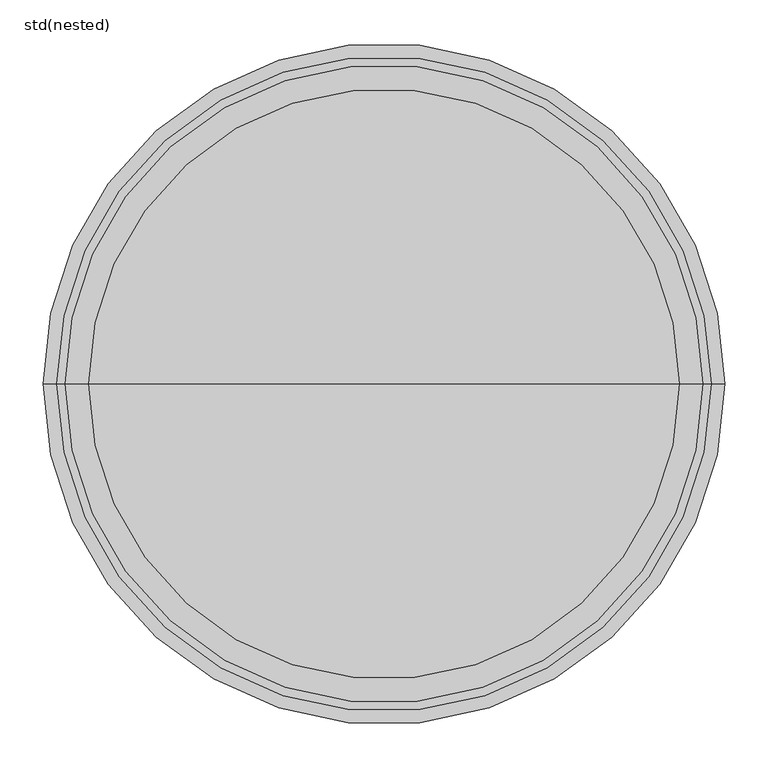
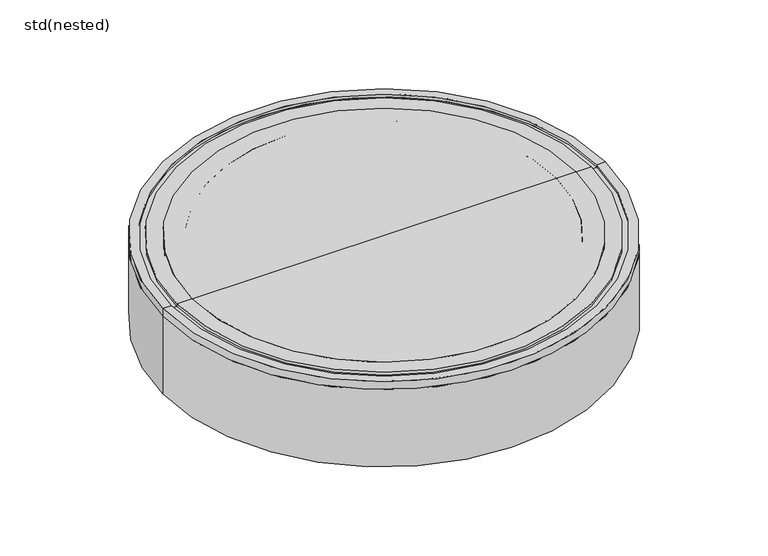
"""IFC4 building model written with IfcOpenShell, lengths in millimetres: sanitary terminal geometry, std(nested)."""

from ifc_helpers import new_model, si_unit, frame, origin, place, context, project, spatial, polyline, circle_curve, source, transform, mapped, element, save
from ifc_brep_helpers import plane_surface, cylinder_surface, revolved_surface, advanced_brep


def std_nested_ca735988(model_context):
    return source(origin(), model_context, "Body", "AdvancedBrep", [
        advanced_brep(
        [(302.5, 0.0, -50.0), (-302.5, 0.0, -50.0), (-340.0, 0.0, -50.0), (340.0, 0.0, -50.0), (302.5, 0.0, -94.7677946), (-302.5, 0.0, -94.7677946), (0.0, 0.0, -94.7677946), (340.0, 0.0, 0.0), (-340.0, 0.0, 0.0), (0.0, 0.0, 0.0)],
        [
            (0, 1, circle_curve(frame((0.0, 0.0, -50.0), z_axis=(0.0, 0.0, 1.0), x_axis=(-1.0, 0.0, 0.0)), 302.5)),
            (1, 2),
            (2, 3, circle_curve(frame((0.0, 0.0, -50.0), z_axis=(0.0, 0.0, -1.0), x_axis=(-1.0, 0.0, 0.0)), 340.0)),
            (3, 0),
            (1, 0, circle_curve(frame((0.0, 0.0, -50.0), z_axis=(0.0, 0.0, 1.0), x_axis=(-1.0, 0.0, 0.0)), 302.5)),
            (3, 2, circle_curve(frame((0.0, 0.0, -50.0), z_axis=(0.0, 0.0, -1.0), x_axis=(-1.0, 0.0, 0.0)), 340.0)),
            (4, 5, circle_curve(frame((0.0, 0.0, -94.7677946), z_axis=(0.0, 0.0, 1.0), x_axis=(-1.0, 0.0, 0.0)), 302.5)),
            (5, 1),
            (0, 4),
            (5, 4, circle_curve(frame((0.0, 0.0, -94.7677946), z_axis=(0.0, 0.0, 1.0), x_axis=(-1.0, 0.0, 0.0)), 302.5)),
            (6, 5),
            (4, 6),
            (7, 8, circle_curve(frame((0.0, 0.0, 0.0), z_axis=(0.0, 0.0, 1.0), x_axis=(-1.0, 0.0, 0.0)), 340.0)),
            (8, 9),
            (9, 7),
            (8, 7, circle_curve(frame((0.0, 0.0, 0.0), z_axis=(0.0, 0.0, 1.0), x_axis=(-1.0, 0.0, 0.0)), 340.0)),
            (2, 8),
            (7, 3),
        ],
        [
            plane_surface(frame((0.0, 0.0, -50.0), z_axis=(0.0, 0.0, -1.0), x_axis=(-1.0, 0.0, 0.0))),
            cylinder_surface(frame((0.0, 0.0, 280.0), z_axis=(0.0, 0.0, -1.0), x_axis=(-1.0, 0.0, 0.0)), 302.5),
            plane_surface(frame((0.0, 0.0, -94.7677946), z_axis=(0.0, 0.0, -1.0), x_axis=(-1.0, 0.0, 0.0))),
            plane_surface(frame((0.0, 0.0, 0.0), z_axis=(0.0, 0.0, 1.0), x_axis=(-1.0, 0.0, 0.0))),
            cylinder_surface(frame((0.0, 0.0, 280.0), z_axis=(0.0, 0.0, -1.0), x_axis=(-1.0, 0.0, 0.0)), 340.0),
        ],
        [
            (0, [[1, 2, 3, 4]]),
            (0, [[5, -4, 6, -2]]),
            (1, [[7, 8, -1, 9]]),
            (1, [[10, -9, -5, -8]]),
            (2, [[11, -7, 12]]),
            (2, [[-12, -10, -11]]),
            (3, [[13, 14, 15]]),
            (3, [[16, -15, -14]]),
            (4, [[-3, 17, -13, 18]]),
            (4, [[-6, -18, -16, -17]]),
        ],
    ),
        advanced_brep(
        [(392.5, 0.0, -160.0), (-392.5, 0.0, -160.0), (-392.5, 0.0, -15.0), (392.5, 0.0, -15.0), (323.0, 0.0, -160.0), (-323.0, 0.0, -160.0), (323.0, 0.0, -105.0), (-323.0, 0.0, -105.0), (352.5230242, 0.0, -35.6814835), (-352.5230242, 0.0, -35.6814835), (352.5230242, 0.0, -15.0), (-352.5230242, 0.0, -15.0)],
        [
            (0, 1, circle_curve(frame((0.0, 0.0, -160.0), z_axis=(0.0, 0.0, 1.0), x_axis=(-1.0, 0.0, 0.0)), 392.5)),
            (1, 2),
            (2, 3, circle_curve(frame((0.0, 0.0, -15.0), z_axis=(0.0, 0.0, -1.0), x_axis=(-1.0, 0.0, 0.0)), 392.5)),
            (3, 0),
            (1, 0, circle_curve(frame((0.0, 0.0, -160.0), z_axis=(0.0, 0.0, 1.0), x_axis=(-1.0, 0.0, 0.0)), 392.5)),
            (3, 2, circle_curve(frame((0.0, 0.0, -15.0), z_axis=(0.0, 0.0, -1.0), x_axis=(-1.0, 0.0, 0.0)), 392.5)),
            (4, 5, circle_curve(frame((0.0, 0.0, -160.0), z_axis=(0.0, 0.0, 1.0), x_axis=(-1.0, 0.0, 0.0)), 323.0)),
            (5, 1),
            (0, 4),
            (5, 4, circle_curve(frame((0.0, 0.0, -160.0), z_axis=(0.0, 0.0, 1.0), x_axis=(-1.0, 0.0, 0.0)), 323.0)),
            (6, 7, circle_curve(frame((0.0, 0.0, -105.0), z_axis=(0.0, 0.0, 1.0), x_axis=(-1.0, 0.0, 0.0)), 323.0)),
            (7, 5),
            (4, 6),
            (7, 6, circle_curve(frame((0.0, 0.0, -105.0), z_axis=(0.0, 0.0, 1.0), x_axis=(-1.0, 0.0, 0.0)), 323.0)),
            (8, 9, circle_curve(frame((0.0, 0.0, -35.6814835), z_axis=(0.0, 0.0, 1.0), x_axis=(-1.0, 0.0, 0.0)), 352.5230242)),
            (9, 7),
            (6, 8),
            (9, 8, circle_curve(frame((0.0, 0.0, -35.6814835), z_axis=(0.0, 0.0, 1.0), x_axis=(-1.0, 0.0, 0.0)), 352.5230242)),
            (10, 11, circle_curve(frame((0.0, 0.0, -15.0), z_axis=(0.0, 0.0, 1.0), x_axis=(-1.0, 0.0, 0.0)), 352.5230242)),
            (11, 9),
            (8, 10),
            (11, 10, circle_curve(frame((0.0, 0.0, -15.0), z_axis=(0.0, 0.0, 1.0), x_axis=(-1.0, 0.0, 0.0)), 352.5230242)),
            (2, 11),
            (10, 3),
        ],
        [
            cylinder_surface(frame((0.0, 0.0, 905.0), z_axis=(0.0, 0.0, -1.0), x_axis=(-1.0, 0.0, 0.0)), 392.5),
            plane_surface(frame((0.0, 0.0, -160.0), z_axis=(0.0, 0.0, -1.0), x_axis=(-1.0, 0.0, 0.0))),
            revolved_surface(polyline([(-323.0, 0.0, -160.0), (-323.0, 0.0, -105.0)]), (0.0, 0.0, 905.0), (0.0, 0.0, -1.0)),
            revolved_surface(polyline([(-323.0, 0.0, -105.0), (-352.5230242, 0.0, -35.6814835)]), (0.0, 0.0, 905.0), (0.0, 0.0, -1.0)),
            revolved_surface(polyline([(-352.5230242, 0.0, -35.68148350000001), (-352.5230242, 0.0, -15.0)]), (0.0, 0.0, 905.0), (0.0, 0.0, -1.0)),
            plane_surface(frame((0.0, 0.0, -15.0), z_axis=(0.0, 0.0, 1.0), x_axis=(-1.0, 0.0, 0.0))),
        ],
        [
            (0, [[1, 2, 3, 4]]),
            (0, [[5, -4, 6, -2]]),
            (1, [[7, 8, -1, 9]]),
            (1, [[10, -9, -5, -8]]),
            (2, [[11, 12, -7, 13]]),
            (2, [[14, -13, -10, -12]]),
            (3, [[15, 16, -11, 17]]),
            (3, [[18, -17, -14, -16]]),
            (4, [[19, 20, -15, 21]]),
            (4, [[22, -21, -18, -20]]),
            (5, [[-3, 23, -19, 24]]),
            (5, [[-6, -24, -22, -23]]),
        ],
    ),
        advanced_brep(
        [(392.5, 0.0, 0.0), (-392.5, 0.0, 0.0), (-377.5, 0.0, 0.0), (377.5, 0.0, 0.0), (392.5, 0.0, -15.0), (-392.5, 0.0, -15.0), (315.2230242, 0.0, -15.0), (-315.2230242, 0.0, -15.0), (315.2230242, 0.0, -35.6814835), (-315.2230242, 0.0, -35.6814835), (323.0, 0.0, -105.0), (-323.0, 0.0, -105.0), (323.0, 0.0, -160.0), (-323.0, 0.0, -160.0), (314.5, 0.0, -160.0), (-314.5, 0.0, -160.0), (314.5, 0.0, -43.0), (-314.5, 0.0, -43.0), (266.1522733, 0.0, -43.0), (-266.1522733, 0.0, -43.0), (266.1522733, 0.0, -22.0), (-266.1522733, 0.0, -22.0), (278.9314699, 0.0, -22.0), (-278.9314699, 0.0, -22.0), (278.9314699, 0.0, -30.0), (-278.9314699, 0.0, -30.0), (305.2, 0.0, -30.0), (-305.2, 0.0, -30.0), (305.2, 0.0, 0.0), (-305.2, 0.0, 0.0), (367.5, 0.0, 0.0), (-367.5, 0.0, 0.0), (367.5, 0.0, -5.0), (-367.5, 0.0, -5.0), (377.5, 0.0, -5.0), (-377.5, 0.0, -5.0)],
        [
            (0, 1, circle_curve(frame((0.0, 0.0, 0.0), z_axis=(0.0, 0.0, 1.0), x_axis=(-1.0, 0.0, 0.0)), 392.5)),
            (1, 2),
            (2, 3, circle_curve(frame((0.0, 0.0, 0.0), z_axis=(0.0, 0.0, -1.0), x_axis=(-1.0, 0.0, 0.0)), 377.5)),
            (3, 0),
            (1, 0, circle_curve(frame((0.0, 0.0, 0.0), z_axis=(0.0, 0.0, 1.0), x_axis=(-1.0, 0.0, 0.0)), 392.5)),
            (3, 2, circle_curve(frame((0.0, 0.0, 0.0), z_axis=(0.0, 0.0, -1.0), x_axis=(-1.0, 0.0, 0.0)), 377.5)),
            (4, 5, circle_curve(frame((0.0, 0.0, -15.0), z_axis=(0.0, 0.0, 1.0), x_axis=(-1.0, 0.0, 0.0)), 392.5)),
            (5, 1),
            (0, 4),
            (5, 4, circle_curve(frame((0.0, 0.0, -15.0), z_axis=(0.0, 0.0, 1.0), x_axis=(-1.0, 0.0, 0.0)), 392.5)),
            (6, 7, circle_curve(frame((0.0, 0.0, -15.0), z_axis=(0.0, 0.0, 1.0), x_axis=(-1.0, 0.0, 0.0)), 315.2230242)),
            (7, 5),
            (4, 6),
            (7, 6, circle_curve(frame((0.0, 0.0, -15.0), z_axis=(0.0, 0.0, 1.0), x_axis=(-1.0, 0.0, 0.0)), 315.2230242)),
            (8, 9, circle_curve(frame((0.0, 0.0, -35.6814835), z_axis=(0.0, 0.0, 1.0), x_axis=(-1.0, 0.0, 0.0)), 315.2230242)),
            (9, 7),
            (6, 8),
            (9, 8, circle_curve(frame((0.0, 0.0, -35.6814835), z_axis=(0.0, 0.0, 1.0), x_axis=(-1.0, 0.0, 0.0)), 315.2230242)),
            (10, 11, circle_curve(frame((0.0, 0.0, -105.0), z_axis=(0.0, 0.0, 1.0), x_axis=(-1.0, 0.0, 0.0)), 323.0)),
            (11, 9),
            (8, 10),
            (11, 10, circle_curve(frame((0.0, 0.0, -105.0), z_axis=(0.0, 0.0, 1.0), x_axis=(-1.0, 0.0, 0.0)), 323.0)),
            (12, 13, circle_curve(frame((0.0, 0.0, -160.0), z_axis=(0.0, 0.0, 1.0), x_axis=(-1.0, 0.0, 0.0)), 323.0)),
            (13, 11),
            (10, 12),
            (13, 12, circle_curve(frame((0.0, 0.0, -160.0), z_axis=(0.0, 0.0, 1.0), x_axis=(-1.0, 0.0, 0.0)), 323.0)),
            (14, 15, circle_curve(frame((0.0, 0.0, -160.0), z_axis=(0.0, 0.0, 1.0), x_axis=(-1.0, 0.0, 0.0)), 314.5)),
            (15, 13),
            (12, 14),
            (15, 14, circle_curve(frame((0.0, 0.0, -160.0), z_axis=(0.0, 0.0, 1.0), x_axis=(-1.0, 0.0, 0.0)), 314.5)),
            (16, 17, circle_curve(frame((0.0, 0.0, -43.0), z_axis=(0.0, 0.0, 1.0), x_axis=(-1.0, 0.0, 0.0)), 314.5)),
            (17, 15),
            (14, 16),
            (17, 16, circle_curve(frame((0.0, 0.0, -43.0), z_axis=(0.0, 0.0, 1.0), x_axis=(-1.0, 0.0, 0.0)), 314.5)),
            (18, 19, circle_curve(frame((0.0, 0.0, -43.0), z_axis=(0.0, 0.0, 1.0), x_axis=(-1.0, 0.0, 0.0)), 266.1522733)),
            (19, 17),
            (16, 18),
            (19, 18, circle_curve(frame((0.0, 0.0, -43.0), z_axis=(0.0, 0.0, 1.0), x_axis=(-1.0, 0.0, 0.0)), 266.1522733)),
            (20, 21, circle_curve(frame((0.0, 0.0, -22.0), z_axis=(0.0, 0.0, 1.0), x_axis=(-1.0, 0.0, 0.0)), 266.1522733)),
            (21, 19),
            (18, 20),
            (21, 20, circle_curve(frame((0.0, 0.0, -22.0), z_axis=(0.0, 0.0, 1.0), x_axis=(-1.0, 0.0, 0.0)), 266.1522733)),
            (22, 23, circle_curve(frame((0.0, 0.0, -22.0), z_axis=(0.0, 0.0, 1.0), x_axis=(-1.0, 0.0, 0.0)), 278.9314699)),
            (23, 21),
            (20, 22),
            (23, 22, circle_curve(frame((0.0, 0.0, -22.0), z_axis=(0.0, 0.0, 1.0), x_axis=(-1.0, 0.0, 0.0)), 278.9314699)),
            (24, 25, circle_curve(frame((0.0, 0.0, -30.0), z_axis=(0.0, 0.0, 1.0), x_axis=(-1.0, 0.0, 0.0)), 278.9314699)),
            (25, 23),
            (22, 24),
            (25, 24, circle_curve(frame((0.0, 0.0, -30.0), z_axis=(0.0, 0.0, 1.0), x_axis=(-1.0, 0.0, 0.0)), 278.9314699)),
            (26, 27, circle_curve(frame((0.0, 0.0, -30.0), z_axis=(0.0, 0.0, 1.0), x_axis=(-1.0, 0.0, 0.0)), 305.2)),
            (27, 25),
            (24, 26),
            (27, 26, circle_curve(frame((0.0, 0.0, -30.0), z_axis=(0.0, 0.0, 1.0), x_axis=(-1.0, 0.0, 0.0)), 305.2)),
            (28, 29, circle_curve(frame((0.0, 0.0, 0.0), z_axis=(0.0, 0.0, 1.0), x_axis=(-1.0, 0.0, 0.0)), 305.2)),
            (29, 27),
            (26, 28),
            (29, 28, circle_curve(frame((0.0, 0.0, 0.0), z_axis=(0.0, 0.0, 1.0), x_axis=(-1.0, 0.0, 0.0)), 305.2)),
            (30, 31, circle_curve(frame((0.0, 0.0, 0.0), z_axis=(0.0, 0.0, 1.0), x_axis=(-1.0, 0.0, 0.0)), 367.5)),
            (31, 29),
            (28, 30),
            (31, 30, circle_curve(frame((0.0, 0.0, 0.0), z_axis=(0.0, 0.0, 1.0), x_axis=(-1.0, 0.0, 0.0)), 367.5)),
            (32, 33, circle_curve(frame((0.0, 0.0, -5.0), z_axis=(0.0, 0.0, 1.0), x_axis=(-1.0, 0.0, 0.0)), 367.5)),
            (33, 31),
            (30, 32),
            (33, 32, circle_curve(frame((0.0, 0.0, -5.0), z_axis=(0.0, 0.0, 1.0), x_axis=(-1.0, 0.0, 0.0)), 367.5)),
            (34, 35, circle_curve(frame((0.0, 0.0, -5.0), z_axis=(0.0, 0.0, 1.0), x_axis=(-1.0, 0.0, 0.0)), 377.5)),
            (35, 33),
            (32, 34),
            (35, 34, circle_curve(frame((0.0, 0.0, -5.0), z_axis=(0.0, 0.0, 1.0), x_axis=(-1.0, 0.0, 0.0)), 377.5)),
            (2, 35),
            (34, 3),
        ],
        [
            plane_surface(frame((0.0, 0.0, 0.0), z_axis=(0.0, 0.0, 1.0), x_axis=(-1.0, 0.0, 0.0))),
            cylinder_surface(frame((0.0, 0.0, 220.0), z_axis=(0.0, 0.0, -1.0), x_axis=(-1.0, 0.0, 0.0)), 392.5),
            plane_surface(frame((0.0, 0.0, -15.0), z_axis=(0.0, 0.0, -1.0), x_axis=(-1.0, 0.0, 0.0))),
            cylinder_surface(frame((0.0, 0.0, 220.0), z_axis=(0.0, 0.0, -1.0), x_axis=(-1.0, 0.0, 0.0)), 315.2230242),
            revolved_surface(polyline([(-315.2230242, 0.0, -35.6814835), (-323.0, 0.0, -105.0)]), (0.0, 0.0, 220.0), (0.0, 0.0, -1.0)),
            cylinder_surface(frame((0.0, 0.0, 220.0), z_axis=(0.0, 0.0, -1.0), x_axis=(-1.0, 0.0, 0.0)), 323.0),
            plane_surface(frame((0.0, 0.0, -160.0), z_axis=(0.0, 0.0, -1.0), x_axis=(-1.0, 0.0, 0.0))),
            revolved_surface(polyline([(-314.5, 0.0, -160.0), (-314.5, 0.0, -43.0)]), (0.0, 0.0, 220.0), (0.0, 0.0, -1.0)),
            plane_surface(frame((0.0, 0.0, -43.0), z_axis=(0.0, 0.0, -1.0), x_axis=(-1.0, 0.0, 0.0))),
            revolved_surface(polyline([(-266.1522733, 0.0, -43.0), (-266.1522733, 0.0, -22.0)]), (0.0, 0.0, 220.0), (0.0, 0.0, -1.0)),
            plane_surface(frame((0.0, 0.0, -22.0), z_axis=(0.0, 0.0, 1.0), x_axis=(-1.0, 0.0, 0.0))),
            cylinder_surface(frame((0.0, 0.0, 220.0), z_axis=(0.0, 0.0, -1.0), x_axis=(-1.0, 0.0, 0.0)), 278.9314699),
            plane_surface(frame((0.0, 0.0, -30.0), z_axis=(0.0, 0.0, 1.0), x_axis=(-1.0, 0.0, 0.0))),
            revolved_surface(polyline([(-305.2, 0.0, -30.0), (-305.2, 0.0, 0.0)]), (0.0, 0.0, 220.0), (0.0, 0.0, -1.0)),
            cylinder_surface(frame((0.0, 0.0, 220.0), z_axis=(0.0, 0.0, -1.0), x_axis=(-1.0, 0.0, 0.0)), 367.5),
            plane_surface(frame((0.0, 0.0, -5.0), z_axis=(0.0, 0.0, 1.0), x_axis=(-1.0, 0.0, 0.0))),
            revolved_surface(polyline([(-377.5, 0.0, -5.0), (-377.5, 0.0, 0.0)]), (0.0, 0.0, 220.0), (0.0, 0.0, -1.0)),
        ],
        [
            (0, [[1, 2, 3, 4]]),
            (0, [[5, -4, 6, -2]]),
            (1, [[7, 8, -1, 9]]),
            (1, [[10, -9, -5, -8]]),
            (2, [[11, 12, -7, 13]]),
            (2, [[14, -13, -10, -12]]),
            (3, [[15, 16, -11, 17]]),
            (3, [[18, -17, -14, -16]]),
            (4, [[19, 20, -15, 21]]),
            (4, [[22, -21, -18, -20]]),
            (5, [[23, 24, -19, 25]]),
            (5, [[26, -25, -22, -24]]),
            (6, [[27, 28, -23, 29]]),
            (6, [[30, -29, -26, -28]]),
            (7, [[31, 32, -27, 33]]),
            (7, [[34, -33, -30, -32]]),
            (8, [[35, 36, -31, 37]]),
            (8, [[38, -37, -34, -36]]),
            (9, [[39, 40, -35, 41]]),
            (9, [[42, -41, -38, -40]]),
            (10, [[43, 44, -39, 45]]),
            (10, [[46, -45, -42, -44]]),
            (11, [[47, 48, -43, 49]]),
            (11, [[50, -49, -46, -48]]),
            (12, [[51, 52, -47, 53]]),
            (12, [[54, -53, -50, -52]]),
            (13, [[55, 56, -51, 57]]),
            (13, [[58, -57, -54, -56]]),
            (0, [[59, 60, -55, 61]]),
            (0, [[62, -61, -58, -60]]),
            (14, [[63, 64, -59, 65]]),
            (14, [[66, -65, -62, -64]]),
            (15, [[67, 68, -63, 69]]),
            (15, [[70, -69, -66, -68]]),
            (16, [[-3, 71, -67, 72]]),
            (16, [[-6, -72, -70, -71]]),
        ],
    ),
    ])


if __name__ == "__main__":
    model = new_model("IFC4")
    model_context = context("Model", 3, world=origin())
    ifc_project = project(units=[si_unit("LENGTHUNIT", "METRE", prefix="MILLI")], contexts=[model_context])
    site = spatial("IfcSite", under=ifc_project)
    building = spatial("IfcBuilding", under=site)
    placement = place(None, origin())
    std_nested_shape = std_nested_ca735988(model_context)
    element("IfcSanitaryTerminal", 1, ObjectType="std(nested)", at=placement, inside=building, context=model_context, shape_type="MappedRepresentation", body=[
        mapped(std_nested_shape, transform((0.0, 0.0, 0.0), x_axis=(1.0, 0.0, 0.0), y_axis=(0.0, 1.0, 0.0), z_axis=(0.0, 0.0, 1.0))),
    ])
    save(model, "model.ifc")
